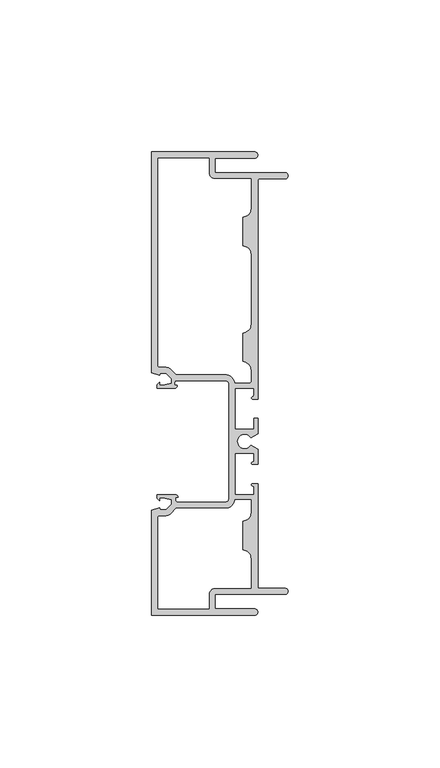
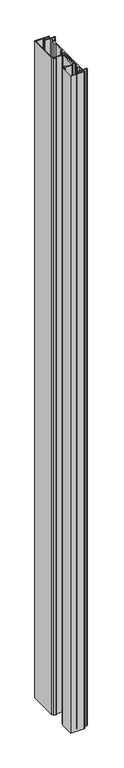
"""IFC4 building model written with IfcOpenShell, lengths in millimetres: plate geometry."""

from ifc_helpers import new_model, si_unit, frame, origin, place, context, project, spatial, polyline, circle_curve, source, transform, mapped, element, save
from ifc_brep_helpers import plane_surface, cylinder_surface, revolved_surface, extruded_surface, spline_curve, advanced_brep


def plate_6c5ae870(model_context):
    return source(origin(), model_context, "Body", "AdvancedBrep", [
        advanced_brep(
        [(-97.8535, 107.95, 1710.2666667), (-131.7625, 107.95, 1710.2666667), (-131.7625, 35.3816997, 1710.2666667), (-129.159, 34.46653, 1710.2666667), (-128.9000739, 35.20313, 1710.2666667), (-127.07464, 35.20313, 1710.2666667), (-125.1966, 33.32353, 1710.2666667), (-125.1966, 31.8494761, 1710.2666667), (-128.1938, 31.1912, 1710.2666667), (-129.159, 31.1912, 1710.2666667), (-129.159, 32.134082, 1710.2666667), (-129.9729726, 31.3201094, 1710.2666667), (-129.9729726, 30.1752, 1710.2666667), (-124.333127, 30.1752, 1710.2666667), (-123.3678, 31.140527, 1710.2666667), (-124.2242563, 31.140527, 1710.2666667), (-124.2242563, 32.080327, 1710.2666667), (-123.5892563, 32.715327, 1710.2666667), (-107.6325, 32.715327, 1710.2666667), (-106.3625, 31.445327, 1710.2666667), (-106.3625, -6.045327, 1710.2666667), (-107.6325, -7.315327, 1710.2666667), (-123.2916, -7.315327, 1710.2666667), (-123.9266, -6.680327, 1710.2666667), (-123.9266, -5.740527, 1710.2666667), (-123.1445578, -5.740527, 1710.2666667), (-124.1098848, -4.7752, 1710.2666667), (-129.9729726, -4.7752, 1710.2666667), (-129.9729726, -5.9201094, 1710.2666667), (-129.159, -6.734082, 1710.2666667), (-129.159, -5.7912, 1710.2666667), (-128.1938, -5.7912, 1710.2666667), (-125.1966, -6.4494761, 1710.2666667), (-125.1966, -7.92353, 1710.2666667), (-127.07464, -9.80313, 1710.2666667), (-128.9000739, -9.80313, 1710.2666667), (-129.159, -9.06653, 1710.2666667), (-131.7625, -9.9816997, 1710.2666667), (-131.7625, -44.45, 1710.2666667), (-97.8535, -44.45, 1710.2666667), (-97.8535, -42.418, 1710.2666667), (-110.8837, -42.418, 1710.2666667), (-110.8837, -37.6428, 1710.2666667), (-87.8967, -37.6428, 1710.2666667), (-87.8967, -35.6108, 1710.2666667), (-96.8375, -35.6108, 1710.2666667), (-96.8375, -1.1849057, 1710.2666667), (-98.5012, -1.1849057, 1710.2666667), (-98.1075, -2.1610439, 1710.2666667), (-98.1075, -4.7624365, 1710.2666667), (-104.3305, -4.7624365, 1710.2666667), (-104.3305, 8.7503635, 1710.2666667), (-98.1075, 8.7503635, 1710.2666667), (-98.1075, 6.1451016, 1710.2666667), (-98.5012, 5.1689635, 1710.2666667), (-96.8375, 5.1689635, 1710.2666667), (-96.8375, 10.1831033, 1710.2666667), (-99.1292807, 11.5062635, 1710.2666667), (-99.1292807, 13.9192635, 1710.2666667), (-96.8375, 15.2424237, 1710.2666667), (-96.8375, 20.2565635, 1710.2666667), (-98.1075, 20.2565635, 1710.2666667), (-98.1075, 16.6751635, 1710.2666667), (-104.3305, 16.6751635, 1710.2666667), (-104.3305, 30.1879635, 1710.2666667), (-98.1075, 30.1879635, 1710.2666667), (-98.1075, 28.0613166, 1710.2666667), (-98.5012, 27.3939635, 1710.2666667), (-98.5012, 26.6065635, 1710.2666667), (-96.8375, 26.6065635, 1710.2666667), (-96.8375, 98.6028, 1710.2666667), (-96.3295, 99.1108, 1710.2666667), (-87.8967, 99.1108, 1710.2666667), (-87.8967, 101.1428, 1710.2666667), (-110.8837, 101.1428, 1710.2666667), (-110.8837, 105.918, 1710.2666667), (-97.8535, 105.918, 1710.2666667), (-99.1235, 99.1108, 1710.2666667), (-99.1235, 89.3445, 1710.2666667), (-101.9175, 86.5505, 1710.2666667), (-101.9175, 77.0255, 1710.2666667), (-99.1235, 74.2315, 1710.2666667), (-99.1235, 51.2318, 1710.2666667), (-101.9175, 48.4378, 1710.2666667), (-101.9175, 38.9128, 1710.2666667), (-99.1235, 36.1188, 1710.2666667), (-99.1235, 32.4740905, 1710.2666667), (-99.6315, 31.9660905, 1710.2666667), (-104.3718238, 31.9660905, 1710.2666667), (-107.6325, 34.747327, 1710.2666667), (-123.7467256, 34.747327, 1710.2666667), (-125.4511835, 36.4532007, 1710.2666667), (-127.3378201, 37.23513, 1710.2666667), (-129.2225, 37.23513, 1710.2666667), (-129.7305, 37.74313, 1710.2666667), (-129.7305, 105.918, 1710.2666667), (-112.9157, 105.918, 1710.2666667), (-112.9157, 101.1428, 1710.2666667), (-110.8837, 99.1108, 1710.2666667), (-127.3378201, -11.83513, 1710.2666667), (-125.4511835, -11.0532007, 1710.2666667), (-123.7467256, -9.347327, 1710.2666667), (-107.6325, -9.347327, 1710.2666667), (-104.3678492, -6.5405635, 1710.2666667), (-99.1235, -6.5405635, 1710.2666667), (-99.1235, -10.7188, 1710.2666667), (-101.9175, -13.5128, 1710.2666667), (-101.9175, -23.0378, 1710.2666667), (-99.1235, -25.8318, 1710.2666667), (-99.1235, -35.6108, 1710.2666667), (-110.8837, -35.6108, 1710.2666667), (-112.9157, -37.6428, 1710.2666667), (-112.9157, -42.418, 1710.2666667), (-129.7305, -42.418, 1710.2666667), (-129.7305, -12.34313, 1710.2666667), (-129.2225, -11.83513, 1710.2666667), (-97.8535, 107.95, 0.0), (-97.8535, 105.918, 0.0), (-110.8837, 105.918, 0.0), (-110.8837, 101.1428, 0.0), (-87.8967, 101.1428, 0.0), (-87.8967, 99.1108, 0.0), (-96.3295, 99.1108, 0.0), (-96.8375, 98.6028, 0.0), (-96.8375, 26.6065635, 0.0), (-98.5012, 26.6065635, 0.0), (-98.5012, 27.3939635, 0.0), (-98.1075, 28.0613166, 0.0), (-98.1075, 30.1879635, 0.0), (-104.3305, 30.1879635, 0.0), (-104.3305, 16.6751635, 0.0), (-98.1075, 16.6751635, 0.0), (-98.1075, 20.2565635, 0.0), (-96.8375, 20.2565635, 0.0), (-96.8375, 15.2424237, 0.0), (-99.1292807, 13.9192635, 0.0), (-99.1292807, 11.5062635, 0.0), (-96.8375, 10.1831033, 0.0), (-96.8375, 5.1689635, 0.0), (-98.5012, 5.1689635, 0.0), (-98.1075, 6.1451016, 0.0), (-98.1075, 8.7503635, 0.0), (-104.3305, 8.7503635, 0.0), (-104.3305, -4.7624365, 0.0), (-98.1075, -4.7624365, 0.0), (-98.1075, -2.1610439, 0.0), (-98.5012, -1.1849057, 0.0), (-96.8375, -1.1849057, 0.0), (-96.8375, -35.6108, 0.0), (-87.8967, -35.6108, 0.0), (-87.8967, -37.6428, 0.0), (-110.8837, -37.6428, 0.0), (-110.8837, -42.418, 0.0), (-97.8535, -42.418, 0.0), (-97.8535, -44.45, 0.0), (-131.7625, -44.45, 0.0), (-131.7625, -9.9816997, 0.0), (-129.159, -9.06653, 0.0), (-128.9000739, -9.80313, 0.0), (-127.07464, -9.80313, 0.0), (-125.1966, -7.92353, 0.0), (-125.1966, -6.4494761, 0.0), (-128.1938, -5.7912, 0.0), (-129.159, -5.7912, 0.0), (-129.159, -6.734082, 0.0), (-129.9729726, -5.9201094, 0.0), (-129.9729726, -4.7752, 0.0), (-124.1098848, -4.7752, 0.0), (-123.1445578, -5.740527, 0.0), (-123.9266, -5.740527, 0.0), (-123.9266, -6.680327, 0.0), (-123.2916, -7.315327, 0.0), (-107.6325, -7.315327, 0.0), (-106.3625, -6.045327, 0.0), (-106.3625, 31.445327, 0.0), (-107.6325, 32.715327, 0.0), (-123.5892563, 32.715327, 0.0), (-124.2242563, 32.080327, 0.0), (-124.2242563, 31.140527, 0.0), (-123.3678, 31.140527, 0.0), (-124.333127, 30.1752, 0.0), (-129.9729726, 30.1752, 0.0), (-129.9729726, 31.3201094, 0.0), (-129.159, 32.134082, 0.0), (-129.159, 31.1912, 0.0), (-128.1938, 31.1912, 0.0), (-125.1966, 31.8494761, 0.0), (-125.1966, 33.32353, 0.0), (-127.07464, 35.20313, 0.0), (-128.9000739, 35.20313, 0.0), (-129.159, 34.46653, 0.0), (-131.7625, 35.3816997, 0.0), (-131.7625, 107.95, 0.0), (-99.1235, 99.1108, 0.0), (-110.8837, 99.1108, 0.0), (-112.9157, 101.1428, 0.0), (-112.9157, 105.918, 0.0), (-129.7305, 105.918, 0.0), (-129.7305, 37.74313, 0.0), (-129.2225, 37.23513, 0.0), (-127.3378201, 37.23513, 0.0), (-125.4511835, 36.4532007, 0.0), (-123.7467256, 34.747327, 0.0), (-107.6325, 34.747327, 0.0), (-104.3718238, 31.9660905, 0.0), (-99.6315, 31.9660905, 0.0), (-99.1235, 32.4740905, 0.0), (-99.1235, 36.1188, 0.0), (-101.9175, 38.9128, 0.0), (-101.9175, 48.4378, 0.0), (-99.1235, 51.2318, 0.0), (-99.1235, 74.2315, 0.0), (-101.9175, 77.0255, 0.0), (-101.9175, 86.5505, 0.0), (-99.1235, 89.3445, 0.0), (-127.3378201, -11.83513, 0.0), (-129.2225, -11.83513, 0.0), (-129.7305, -12.34313, 0.0), (-129.7305, -42.418, 0.0), (-112.9157, -42.418, 0.0), (-112.9157, -37.6428, 0.0), (-110.8837, -35.6108, 0.0), (-99.1235, -35.6108, 0.0), (-99.1235, -25.8318, 0.0), (-101.9175, -23.0378, 0.0), (-101.9175, -13.5128, 0.0), (-99.1235, -10.7188, 0.0), (-99.1235, -6.5405635, 0.0), (-104.3678492, -6.5405635, 0.0), (-107.6325, -9.347327, 0.0), (-123.7467256, -9.347327, 0.0), (-125.4511835, -11.0532007, 0.0)],
        [
            (0, 1),
            (1, 2),
            (2, 3),
            (3, 4),
            (4, 5),
            (5, 6),
            (6, 7),
            (7, 8),
            (8, 9),
            (9, 10),
            (10, 11),
            (11, 12),
            (12, 13),
            (13, 14, circle_curve(frame((-124.333127, 31.140527, 1710.2666667), z_axis=(0.0, 0.0, 1.0), x_axis=(0.0, 1.0, 0.0)), 0.965327)),
            (14, 15),
            (15, 16),
            (16, 17, circle_curve(frame((-123.5892563, 32.080327, 1710.2666667), z_axis=(0.0, 0.0, -1.0), x_axis=(0.0, 1.0, 0.0)), 0.635)),
            (17, 18),
            (18, 19, circle_curve(frame((-107.6325, 31.445327, 1710.2666667), z_axis=(0.0, 0.0, -1.0), x_axis=(0.0, 1.0, 0.0)), 1.27)),
            (19, 20),
            (20, 21, circle_curve(frame((-107.6325, -6.045327, 1710.2666667), z_axis=(0.0, 0.0, -1.0), x_axis=(0.0, 1.0, 0.0)), 1.27)),
            (21, 22),
            (22, 23, circle_curve(frame((-123.2916, -6.680327, 1710.2666667), z_axis=(0.0, 0.0, -1.0), x_axis=(0.0, 1.0, 0.0)), 0.635)),
            (23, 24),
            (24, 25),
            (25, 26, circle_curve(frame((-124.1098848, -5.740527, 1710.2666667), z_axis=(0.0, 0.0, 1.0), x_axis=(0.0, 1.0, 0.0)), 0.965327)),
            (26, 27),
            (27, 28),
            (28, 29),
            (29, 30),
            (30, 31),
            (31, 32),
            (32, 33),
            (33, 34),
            (34, 35),
            (35, 36),
            (36, 37),
            (37, 38),
            (38, 39),
            (39, 40, circle_curve(frame((-97.8535, -43.434, 1710.2666667), z_axis=(0.0, 0.0, 1.0), x_axis=(0.0, 1.0, 0.0)), 1.016)),
            (40, 41),
            (41, 42),
            (42, 43),
            (43, 44, circle_curve(frame((-87.8967, -36.6268, 1710.2666667), z_axis=(0.0, 0.0, 1.0), x_axis=(0.0, 1.0, 0.0)), 1.016)),
            (44, 45),
            (45, 46),
            (46, 47),
            (47, 48, spline_curve(3, [(-98.5012, -1.1849057, 1710.2666667), (-98.740983519, -1.227186004, 1710.2666667), (-98.782143914, -1.25795905, 1710.2666667), (-98.850249598, -1.333410763, 1710.2666667), (-98.857891197, -1.376747934, 1710.2666667), (-98.873382803, -1.562732941, 1710.2666667), (-98.879748834, -1.741567822, 1710.2666667), (-98.665948995, -1.955278639, 1710.2666667), (-98.401363232, -1.95527865, 1710.2666667), (-98.1075, -2.1610439, 1710.2666667)], [4, 2, 2, 2, 4], [0.0, 0.0005581775979920252, 0.0014141886036385456, 0.002659292844354508, 0.004147214338502557])),
            (48, 49),
            (49, 50),
            (50, 51),
            (51, 52),
            (52, 53),
            (53, 54, spline_curve(3, [(-98.1075, 6.1451016, 1710.2666667), (-98.401363232, 5.93933635, 1710.2666667), (-98.665948995, 5.939336439, 1710.2666667), (-98.879748834, 5.725625622, 1710.2666667), (-98.873382803, 5.546790741, 1710.2666667), (-98.857891197, 5.360805734, 1710.2666667), (-98.850249598, 5.317468563, 1710.2666667), (-98.782143914, 5.24201685, 1710.2666667), (-98.740983519, 5.211243804, 1710.2666667), (-98.5012, 5.1689635, 1710.2666667)], [4, 2, 2, 2, 4], [0.0, 0.0014879214941480494, 0.0027330257348640117, 0.003589036740510532, 0.004147214338502557])),
            (54, 55),
            (55, 56),
            (56, 57),
            (57, 58, circle_curve(frame((-101.219, 12.7127635, 1710.2666667), z_axis=(0.0, 0.0, -1.0), x_axis=(0.0, 1.0, 0.0)), 2.413)),
            (58, 59),
            (59, 60),
            (60, 61),
            (61, 62),
            (62, 63),
            (63, 64),
            (64, 65),
            (65, 66),
            (66, 67, circle_curve(frame((-98.8699585, 28.0613166, 1710.2666667), z_axis=(0.0, 0.0, -1.0), x_axis=(0.0, 1.0, 0.0)), 0.7624585)),
            (67, 68, circle_curve(frame((-98.5012, 27.0002635, 1710.2666667), z_axis=(0.0, 0.0, 1.0), x_axis=(0.0, 1.0, 0.0)), 0.3937)),
            (68, 69),
            (69, 70),
            (70, 71, circle_curve(frame((-96.3295, 98.6028, 1710.2666667), z_axis=(0.0, 0.0, -1.0), x_axis=(0.0, 1.0, 0.0)), 0.508)),
            (71, 72),
            (72, 73, circle_curve(frame((-87.8967, 100.1268, 1710.2666667), z_axis=(0.0, 0.0, 1.0), x_axis=(0.0, 1.0, 0.0)), 1.016)),
            (73, 74),
            (74, 75),
            (75, 76),
            (76, 0, circle_curve(frame((-97.8535, 106.934, 1710.2666667), z_axis=(0.0, 0.0, 1.0), x_axis=(0.0, 1.0, 0.0)), 1.016)),
            (77, 78),
            (78, 79, circle_curve(frame((-101.9175, 89.3445, 1710.2666667), z_axis=(0.0, 0.0, -1.0), x_axis=(0.0, 1.0, 0.0)), 2.794)),
            (79, 80),
            (80, 81, circle_curve(frame((-101.9175, 74.2315, 1710.2666667), z_axis=(0.0, 0.0, -1.0), x_axis=(0.0, 1.0, 0.0)), 2.794)),
            (81, 82),
            (82, 83, circle_curve(frame((-101.9175, 51.2318, 1710.2666667), z_axis=(0.0, 0.0, -1.0), x_axis=(0.0, 1.0, 0.0)), 2.794)),
            (83, 84),
            (84, 85, circle_curve(frame((-101.9175, 36.1188, 1710.2666667), z_axis=(0.0, 0.0, -1.0), x_axis=(0.0, 1.0, 0.0)), 2.794)),
            (85, 86),
            (86, 87, circle_curve(frame((-99.6315, 32.4740905, 1710.2666667), z_axis=(0.0, 0.0, -1.0), x_axis=(0.0, 1.0, 0.0)), 0.508)),
            (87, 88),
            (88, 89, circle_curve(frame((-107.6325, 31.445327, 1710.2666667), z_axis=(0.0, 0.0, 1.0), x_axis=(0.0, 1.0, 0.0)), 3.302)),
            (89, 90),
            (90, 91),
            (91, 92, circle_curve(frame((-127.3378201, 34.56813, 1710.2666667), z_axis=(0.0, 0.0, 1.0), x_axis=(0.0, 1.0, 0.0)), 2.667)),
            (92, 93),
            (93, 94, circle_curve(frame((-129.2225, 37.74313, 1710.2666667), z_axis=(0.0, 0.0, -1.0), x_axis=(0.0, 1.0, 0.0)), 0.508)),
            (94, 95),
            (95, 96),
            (96, 97),
            (97, 98, circle_curve(frame((-110.8837, 101.1428, 1710.2666667), z_axis=(0.0, 0.0, 1.0), x_axis=(0.0, 1.0, 0.0)), 2.032)),
            (98, 77),
            (99, 100, circle_curve(frame((-127.3378201, -9.16813, 1710.2666667), z_axis=(0.0, 0.0, 1.0), x_axis=(0.0, 1.0, 0.0)), 2.667)),
            (100, 101),
            (101, 102),
            (102, 103, circle_curve(frame((-107.6325, -6.045327, 1710.2666667), z_axis=(0.0, 0.0, 1.0), x_axis=(0.0, 1.0, 0.0)), 3.302)),
            (103, 104),
            (104, 105),
            (105, 106, circle_curve(frame((-101.9175, -10.7188, 1710.2666667), z_axis=(0.0, 0.0, -1.0), x_axis=(0.0, 1.0, 0.0)), 2.794)),
            (106, 107),
            (107, 108, circle_curve(frame((-101.9175, -25.8318, 1710.2666667), z_axis=(0.0, 0.0, -1.0), x_axis=(0.0, 1.0, 0.0)), 2.794)),
            (108, 109),
            (109, 110),
            (110, 111, circle_curve(frame((-110.8837, -37.6428, 1710.2666667), z_axis=(0.0, 0.0, 1.0), x_axis=(0.0, 1.0, 0.0)), 2.032)),
            (111, 112),
            (112, 113),
            (113, 114),
            (114, 115, circle_curve(frame((-129.2225, -12.34313, 1710.2666667), z_axis=(0.0, 0.0, -1.0), x_axis=(0.0, 1.0, 0.0)), 0.508)),
            (115, 99),
            (116, 117, circle_curve(frame((-97.8535, 106.934, 0.0), z_axis=(0.0, 0.0, -1.0), x_axis=(0.0, 1.0, 0.0)), 1.016)),
            (117, 118),
            (118, 119),
            (119, 120),
            (120, 121, circle_curve(frame((-87.8967, 100.1268, 0.0), z_axis=(0.0, 0.0, -1.0), x_axis=(0.0, 1.0, 0.0)), 1.016)),
            (121, 122),
            (122, 123, circle_curve(frame((-96.3295, 98.6028, 0.0), z_axis=(0.0, 0.0, 1.0), x_axis=(0.0, 1.0, 0.0)), 0.508)),
            (123, 124),
            (124, 125),
            (125, 126, circle_curve(frame((-98.5012, 27.0002635, 0.0), z_axis=(0.0, 0.0, -1.0), x_axis=(0.0, 1.0, 0.0)), 0.3937)),
            (126, 127, circle_curve(frame((-98.8699585, 28.0613166, 0.0), z_axis=(0.0, 0.0, 1.0), x_axis=(0.0, 1.0, 0.0)), 0.7624585)),
            (127, 128),
            (128, 129),
            (129, 130),
            (130, 131),
            (131, 132),
            (132, 133),
            (133, 134),
            (134, 135),
            (135, 136, circle_curve(frame((-101.219, 12.7127635, 0.0), z_axis=(0.0, 0.0, 1.0), x_axis=(0.0, 1.0, 0.0)), 2.413)),
            (136, 137),
            (137, 138),
            (138, 139),
            (139, 140, spline_curve(3, [(-98.5012, 5.1689635, 0.0), (-98.740983519, 5.211243804, 0.0), (-98.782143914, 5.24201685, 0.0), (-98.850249598, 5.317468563, 0.0), (-98.857891197, 5.360805734, 0.0), (-98.873382803, 5.546790741, 0.0), (-98.879748834, 5.725625622, 0.0), (-98.665948995, 5.939336439, 0.0), (-98.401363232, 5.93933635, 0.0), (-98.1075, 6.1451016, 0.0)], [4, 2, 2, 2, 4], [0.0, 0.0005581775979920252, 0.0014141886036385456, 0.002659292844354508, 0.004147214338502557])),
            (140, 141),
            (141, 142),
            (142, 143),
            (143, 144),
            (144, 145),
            (145, 146, spline_curve(3, [(-98.1075, -2.1610439, 0.0), (-98.401363232, -1.95527865, 0.0), (-98.665948995, -1.955278639, 0.0), (-98.879748834, -1.741567822, 0.0), (-98.873382803, -1.562732941, 0.0), (-98.857891197, -1.376747934, 0.0), (-98.850249598, -1.333410763, 0.0), (-98.782143914, -1.25795905, 0.0), (-98.740983519, -1.227186004, 0.0), (-98.5012, -1.1849057, 0.0)], [4, 2, 2, 2, 4], [0.0, 0.0014879214941480494, 0.0027330257348640117, 0.003589036740510532, 0.004147214338502557])),
            (146, 147),
            (147, 148),
            (148, 149),
            (149, 150, circle_curve(frame((-87.8967, -36.6268, 0.0), z_axis=(0.0, 0.0, -1.0), x_axis=(0.0, 1.0, 0.0)), 1.016)),
            (150, 151),
            (151, 152),
            (152, 153),
            (153, 154, circle_curve(frame((-97.8535, -43.434, 0.0), z_axis=(0.0, 0.0, -1.0), x_axis=(0.0, 1.0, 0.0)), 1.016)),
            (154, 155),
            (155, 156),
            (156, 157),
            (157, 158),
            (158, 159),
            (159, 160),
            (160, 161),
            (161, 162),
            (162, 163),
            (163, 164),
            (164, 165),
            (165, 166),
            (166, 167),
            (167, 168, circle_curve(frame((-124.1098848, -5.740527, 0.0), z_axis=(0.0, 0.0, -1.0), x_axis=(0.0, 1.0, 0.0)), 0.965327)),
            (168, 169),
            (169, 170),
            (170, 171, circle_curve(frame((-123.2916, -6.680327, 0.0), z_axis=(0.0, 0.0, 1.0), x_axis=(0.0, 1.0, 0.0)), 0.635)),
            (171, 172),
            (172, 173, circle_curve(frame((-107.6325, -6.045327, 0.0), z_axis=(0.0, 0.0, 1.0), x_axis=(0.0, 1.0, 0.0)), 1.27)),
            (173, 174),
            (174, 175, circle_curve(frame((-107.6325, 31.445327, 0.0), z_axis=(0.0, 0.0, 1.0), x_axis=(0.0, 1.0, 0.0)), 1.27)),
            (175, 176),
            (176, 177, circle_curve(frame((-123.5892563, 32.080327, 0.0), z_axis=(0.0, 0.0, 1.0), x_axis=(0.0, 1.0, 0.0)), 0.635)),
            (177, 178),
            (178, 179),
            (179, 180, circle_curve(frame((-124.333127, 31.140527, 0.0), z_axis=(0.0, 0.0, -1.0), x_axis=(0.0, 1.0, 0.0)), 0.965327)),
            (180, 181),
            (181, 182),
            (182, 183),
            (183, 184),
            (184, 185),
            (185, 186),
            (186, 187),
            (187, 188),
            (188, 189),
            (189, 190),
            (190, 191),
            (191, 192),
            (192, 116),
            (193, 194),
            (194, 195, circle_curve(frame((-110.8837, 101.1428, 0.0), z_axis=(0.0, 0.0, -1.0), x_axis=(0.0, 1.0, 0.0)), 2.032)),
            (195, 196),
            (196, 197),
            (197, 198),
            (198, 199, circle_curve(frame((-129.2225, 37.74313, 0.0), z_axis=(0.0, 0.0, 1.0), x_axis=(0.0, 1.0, 0.0)), 0.508)),
            (199, 200),
            (200, 201, circle_curve(frame((-127.3378201, 34.56813, 0.0), z_axis=(0.0, 0.0, -1.0), x_axis=(0.0, 1.0, 0.0)), 2.667)),
            (201, 202),
            (202, 203),
            (203, 204, circle_curve(frame((-107.6325, 31.445327, 0.0), z_axis=(0.0, 0.0, -1.0), x_axis=(0.0, 1.0, 0.0)), 3.302)),
            (204, 205),
            (205, 206, circle_curve(frame((-99.6315, 32.4740905, 0.0), z_axis=(0.0, 0.0, 1.0), x_axis=(0.0, 1.0, 0.0)), 0.508)),
            (206, 207),
            (207, 208, circle_curve(frame((-101.9175, 36.1188, 0.0), z_axis=(0.0, 0.0, 1.0), x_axis=(0.0, 1.0, 0.0)), 2.794)),
            (208, 209),
            (209, 210, circle_curve(frame((-101.9175, 51.2318, 0.0), z_axis=(0.0, 0.0, 1.0), x_axis=(0.0, 1.0, 0.0)), 2.794)),
            (210, 211),
            (211, 212, circle_curve(frame((-101.9175, 74.2315, 0.0), z_axis=(0.0, 0.0, 1.0), x_axis=(0.0, 1.0, 0.0)), 2.794)),
            (212, 213),
            (213, 214, circle_curve(frame((-101.9175, 89.3445, 0.0), z_axis=(0.0, 0.0, 1.0), x_axis=(0.0, 1.0, 0.0)), 2.794)),
            (214, 193),
            (215, 216),
            (216, 217, circle_curve(frame((-129.2225, -12.34313, 0.0), z_axis=(0.0, 0.0, 1.0), x_axis=(0.0, 1.0, 0.0)), 0.508)),
            (217, 218),
            (218, 219),
            (219, 220),
            (220, 221, circle_curve(frame((-110.8837, -37.6428, 0.0), z_axis=(0.0, 0.0, -1.0), x_axis=(0.0, 1.0, 0.0)), 2.032)),
            (221, 222),
            (222, 223),
            (223, 224, circle_curve(frame((-101.9175, -25.8318, 0.0), z_axis=(0.0, 0.0, 1.0), x_axis=(0.0, 1.0, 0.0)), 2.794)),
            (224, 225),
            (225, 226, circle_curve(frame((-101.9175, -10.7188, 0.0), z_axis=(0.0, 0.0, 1.0), x_axis=(0.0, 1.0, 0.0)), 2.794)),
            (226, 227),
            (227, 228),
            (228, 229, circle_curve(frame((-107.6325, -6.045327, 0.0), z_axis=(0.0, 0.0, -1.0), x_axis=(0.0, 1.0, 0.0)), 3.302)),
            (229, 230),
            (230, 231),
            (231, 215, circle_curve(frame((-127.3378201, -9.16813, 0.0), z_axis=(0.0, 0.0, -1.0), x_axis=(0.0, 1.0, 0.0)), 2.667)),
            (76, 117),
            (116, 0),
            (75, 118),
            (74, 119),
            (73, 120),
            (72, 121),
            (71, 122),
            (70, 123),
            (69, 124),
            (68, 125),
            (67, 126),
            (66, 127),
            (65, 128),
            (64, 129),
            (63, 130),
            (62, 131),
            (61, 132),
            (60, 133),
            (59, 134),
            (58, 135),
            (57, 136),
            (56, 137),
            (55, 138),
            (54, 139),
            (53, 140),
            (52, 141),
            (51, 142),
            (50, 143),
            (49, 144),
            (48, 145),
            (47, 146),
            (46, 147),
            (45, 148),
            (44, 149),
            (43, 150),
            (42, 151),
            (41, 152),
            (40, 153),
            (39, 154),
            (38, 155),
            (37, 156),
            (36, 157),
            (35, 158),
            (34, 159),
            (33, 160),
            (32, 161),
            (31, 162),
            (30, 163),
            (29, 164),
            (28, 165),
            (27, 166),
            (26, 167),
            (25, 168),
            (24, 169),
            (23, 170),
            (22, 171),
            (21, 172),
            (20, 173),
            (19, 174),
            (18, 175),
            (17, 176),
            (16, 177),
            (15, 178),
            (14, 179),
            (13, 180),
            (12, 181),
            (11, 182),
            (10, 183),
            (9, 184),
            (8, 185),
            (7, 186),
            (6, 187),
            (5, 188),
            (4, 189),
            (3, 190),
            (2, 191),
            (1, 192),
            (98, 194),
            (193, 77),
            (97, 195),
            (96, 196),
            (95, 197),
            (94, 198),
            (93, 199),
            (92, 200),
            (91, 201),
            (90, 202),
            (89, 203),
            (88, 204),
            (87, 205),
            (86, 206),
            (85, 207),
            (84, 208),
            (83, 209),
            (82, 210),
            (81, 211),
            (80, 212),
            (79, 213),
            (78, 214),
            (115, 216),
            (215, 99),
            (114, 217),
            (113, 218),
            (112, 219),
            (111, 220),
            (110, 221),
            (109, 222),
            (108, 223),
            (107, 224),
            (106, 225),
            (105, 226),
            (104, 227),
            (103, 228),
            (102, 229),
            (101, 230),
            (100, 231),
        ],
        [
            plane_surface(frame((-114.3, 0.0, 1710.2666667), z_axis=(0.0, 0.0, 1.0), x_axis=(0.0, 1.0, 0.0))),
            plane_surface(frame((-114.3, 0.0, 0.0), z_axis=(0.0, 0.0, -1.0), x_axis=(0.0, 1.0, 0.0))),
            cylinder_surface(frame((-97.8535, 106.934, 1710.2666667), z_axis=(0.0, 0.0, 1.0), x_axis=(0.0, 1.0, 0.0)), 1.016),
            plane_surface(frame((-97.8535, 105.918, 1710.2666667), z_axis=(0.0, -1.0, 0.0), x_axis=(0.0, 0.0, -1.0))),
            plane_surface(frame((-110.8837, 105.918, 1710.2666667), z_axis=(1.0, 0.0, 0.0), x_axis=(0.0, 0.0, -1.0))),
            plane_surface(frame((-110.8837, 101.1428, 1710.2666667), z_axis=(0.0, 1.0, 0.0), x_axis=(0.0, 0.0, -1.0))),
            cylinder_surface(frame((-87.8967, 100.1268, 1710.2666667), z_axis=(0.0, 0.0, 1.0), x_axis=(0.0, 1.0, 0.0)), 1.016),
            plane_surface(frame((-87.8967, 99.1108, 1710.2666667), z_axis=(0.0, -1.0, 0.0), x_axis=(0.0, 0.0, -1.0))),
            revolved_surface(polyline([(-96.3295, 99.1108, 0.0), (-96.3295, 99.1108, 1710.2666667)]), (-96.3295, 98.6028, 1710.2666667), (0.0, 0.0, -1.0)),
            plane_surface(frame((-96.8375, 98.6028, 1710.2666667), z_axis=(1.0, 0.0, 0.0), x_axis=(0.0, 0.0, -1.0))),
            plane_surface(frame((-96.8375, 26.6065635, 1710.2666667), z_axis=(0.0, -1.0, 0.0), x_axis=(0.0, 0.0, -1.0))),
            cylinder_surface(frame((-98.5012, 27.0002635, 1710.2666667), z_axis=(0.0, 0.0, 1.0), x_axis=(0.0, 1.0, 0.0)), 0.3937),
            revolved_surface(polyline([(-98.8699585, 28.823775100000002, 0.0), (-98.8699585, 28.823775100000002, 1710.2666667)]), (-98.8699585, 28.0613166, 1710.2666667), (0.0, 0.0, -1.0)),
            plane_surface(frame((-98.1075, 28.0613166, 1710.2666667), z_axis=(-1.0, 0.0, 0.0), x_axis=(0.0, 0.0, -1.0))),
            plane_surface(frame((-98.1075, 30.1879635, 1710.2666667), z_axis=(0.0, -1.0, 0.0), x_axis=(0.0, 0.0, -1.0))),
            plane_surface(frame((-104.3305, 30.1879635, 1710.2666667), z_axis=(1.0, 0.0, 0.0), x_axis=(0.0, 0.0, -1.0))),
            plane_surface(frame((-104.3305, 16.6751635, 1710.2666667), z_axis=(0.0, 1.0, 0.0), x_axis=(0.0, 0.0, -1.0))),
            plane_surface(frame((-98.1075, 16.6751635, 1710.2666667), z_axis=(-1.0, 0.0, 0.0), x_axis=(0.0, 0.0, -1.0))),
            plane_surface(frame((-98.1075, 20.2565635, 1710.2666667), z_axis=(0.0, 1.0, 0.0), x_axis=(0.0, 0.0, -1.0))),
            plane_surface(frame((-96.8375, 20.2565635, 1710.2666667), z_axis=(1.0, 0.0, 0.0), x_axis=(0.0, 0.0, -1.0))),
            plane_surface(frame((-96.8375, 15.2424237, 1710.2666667), z_axis=(0.5000000000000651, -0.8660254037844011, 0.0), x_axis=(0.0, 0.0, -1.0))),
            revolved_surface(polyline([(-101.219, 15.1257635, 0.0), (-101.219, 15.1257635, 1710.2666667)]), (-101.219, 12.7127635, 1710.2666667), (0.0, 0.0, -1.0)),
            plane_surface(frame((-99.1292807, 11.5062635, 1710.2666667), z_axis=(0.4999999999999164, 0.866025403784487, 0.0), x_axis=(0.0, 0.0, -1.0))),
            plane_surface(frame((-96.8375, 10.1831033, 1710.2666667), z_axis=(1.0, 0.0, 0.0), x_axis=(0.0, 0.0, -1.0))),
            plane_surface(frame((-96.8375, 5.1689635, 1710.2666667), z_axis=(0.0, -1.0, 0.0), x_axis=(0.0, 0.0, -1.0))),
            extruded_surface(spline_curve(3, [(-98.5012, 5.1689635, 1710.2666667), (-98.740983519, 5.211243804, 1710.2666667), (-98.782143914, 5.24201685, 1710.2666667), (-98.850249598, 5.317468563, 1710.2666667), (-98.857891197, 5.360805734, 1710.2666667), (-98.873382803, 5.546790741, 1710.2666667), (-98.879748834, 5.725625622, 1710.2666667), (-98.665948995, 5.939336439, 1710.2666667), (-98.401363232, 5.93933635, 1710.2666667), (-98.1075, 6.1451016, 1710.2666667)], [4, 2, 2, 2, 4], [0.0, 0.0005581775979920252, 0.0014141886036385456, 0.002659292844354508, 0.004147214338502557]), (0.0, 0.0, -1710.2666667), 1710.2666667),
            plane_surface(frame((-98.1075, 6.1451016, 1710.2666667), z_axis=(-1.0, 0.0, 0.0), x_axis=(0.0, 0.0, -1.0))),
            plane_surface(frame((-98.1075, 8.7503635, 1710.2666667), z_axis=(0.0, -1.0, 0.0), x_axis=(0.0, 0.0, -1.0))),
            plane_surface(frame((-104.3305, 8.7503635, 1710.2666667), z_axis=(1.0, 0.0, 0.0), x_axis=(0.0, 0.0, -1.0))),
            plane_surface(frame((-104.3305, -4.7624365, 1710.2666667), z_axis=(0.0, 1.0, 0.0), x_axis=(0.0, 0.0, -1.0))),
            plane_surface(frame((-98.1075, -4.7624365, 1710.2666667), z_axis=(-1.0, 0.0, 0.0), x_axis=(0.0, 0.0, -1.0))),
            extruded_surface(spline_curve(3, [(-98.1075, -2.1610439, 1710.2666667), (-98.401363232, -1.95527865, 1710.2666667), (-98.665948995, -1.955278639, 1710.2666667), (-98.879748834, -1.741567822, 1710.2666667), (-98.873382803, -1.562732941, 1710.2666667), (-98.857891197, -1.376747934, 1710.2666667), (-98.850249598, -1.333410763, 1710.2666667), (-98.782143914, -1.25795905, 1710.2666667), (-98.740983519, -1.227186004, 1710.2666667), (-98.5012, -1.1849057, 1710.2666667)], [4, 2, 2, 2, 4], [0.0, 0.0014879214941480494, 0.0027330257348640117, 0.003589036740510532, 0.004147214338502557]), (0.0, 0.0, -1710.2666667), 1710.2666667),
            plane_surface(frame((-98.5012, -1.1849057, 1710.2666667), z_axis=(0.0, 1.0, 0.0), x_axis=(0.0, 0.0, -1.0))),
            plane_surface(frame((-96.8375, -1.1849057, 1710.2666667), z_axis=(1.0, 0.0, 0.0), x_axis=(0.0, 0.0, -1.0))),
            plane_surface(frame((-96.8375, -35.6108, 1710.2666667), z_axis=(0.0, 1.0, 0.0), x_axis=(0.0, 0.0, -1.0))),
            cylinder_surface(frame((-87.8967, -36.6268, 1710.2666667), z_axis=(0.0, 0.0, 1.0), x_axis=(0.0, 1.0, 0.0)), 1.016),
            plane_surface(frame((-87.8967, -37.6428, 1710.2666667), z_axis=(0.0, -1.0, 0.0), x_axis=(0.0, 0.0, -1.0))),
            plane_surface(frame((-110.8837, -37.6428, 1710.2666667), z_axis=(1.0, 0.0, 0.0), x_axis=(0.0, 0.0, -1.0))),
            plane_surface(frame((-110.8837, -42.418, 1710.2666667), z_axis=(0.0, 1.0, 0.0), x_axis=(0.0, 0.0, -1.0))),
            cylinder_surface(frame((-97.8535, -43.434, 1710.2666667), z_axis=(0.0, 0.0, 1.0), x_axis=(0.0, 1.0, 0.0)), 1.016),
            plane_surface(frame((-97.8535, -44.45, 1710.2666667), z_axis=(0.0, -1.0, 0.0), x_axis=(0.0, 0.0, -1.0))),
            plane_surface(frame((-131.7625, -44.45, 1710.2666667), z_axis=(-1.0, 0.0, 0.0), x_axis=(0.0, 0.0, -1.0))),
            plane_surface(frame((-131.7625, -9.9816997, 1710.2666667), z_axis=(-0.3316235421717818, 0.9434118010060297, 0.0), x_axis=(0.0, 0.0, -1.0))),
            plane_surface(frame((-129.159, -9.06653, 1710.2666667), z_axis=(0.9434118010060171, 0.33162354217181794, 0.0), x_axis=(0.0, 0.0, -1.0))),
            plane_surface(frame((-128.9000739, -9.80313, 1710.2666667), z_axis=(0.0, 1.0, 0.0), x_axis=(0.0, 0.0, -1.0))),
            plane_surface(frame((-127.07464, -9.80313, 1710.2666667), z_axis=(-0.7074002732966483, 0.7068131672088652, 0.0), x_axis=(0.0, 0.0, -1.0))),
            plane_surface(frame((-125.1966, -7.92353, 1710.2666667), z_axis=(-1.0, 0.0, 0.0), x_axis=(0.0, 0.0, -1.0))),
            plane_surface(frame((-125.1966, -6.4494761, 1710.2666667), z_axis=(-0.21451738649470226, -0.9767201702081731, 0.0), x_axis=(0.0, 0.0, -1.0))),
            plane_surface(frame((-128.1938, -5.7912, 1710.2666667), z_axis=(0.0, -1.0, 0.0), x_axis=(0.0, 0.0, -1.0))),
            plane_surface(frame((-129.159, -5.7912, 1710.2666667), z_axis=(1.0, 0.0, 0.0), x_axis=(0.0, 0.0, -1.0))),
            plane_surface(frame((-129.159, -6.734082, 1710.2666667), z_axis=(-0.7071067811866155, -0.7071067811864795, 0.0), x_axis=(0.0, 0.0, -1.0))),
            plane_surface(frame((-129.9729726, -5.9201094, 1710.2666667), z_axis=(-1.0, 0.0, 0.0), x_axis=(0.0, 0.0, -1.0))),
            plane_surface(frame((-129.9729726, -4.7752, 1710.2666667), z_axis=(0.0, 1.0, 0.0), x_axis=(0.0, 0.0, -1.0))),
            cylinder_surface(frame((-124.1098848, -5.740527, 1710.2666667), z_axis=(0.0, 0.0, 1.0), x_axis=(0.0, 1.0, 0.0)), 0.965327),
            plane_surface(frame((-123.1445578, -5.740527, 1710.2666667), z_axis=(0.0, -1.0, 0.0), x_axis=(0.0, 0.0, -1.0))),
            plane_surface(frame((-123.9266, -5.740527, 1710.2666667), z_axis=(1.0, 0.0, 0.0), x_axis=(0.0, 0.0, -1.0))),
            revolved_surface(polyline([(-123.2916, -6.045327, 0.0), (-123.2916, -6.045327, 1710.2666667)]), (-123.2916, -6.680327, 1710.2666667), (0.0, 0.0, -1.0)),
            plane_surface(frame((-123.2916, -7.315327, 1710.2666667), z_axis=(0.0, 1.0, 0.0), x_axis=(0.0, 0.0, -1.0))),
            revolved_surface(polyline([(-107.6325, -4.775327000000001, 0.0), (-107.6325, -4.775327000000001, 1710.2666667)]), (-107.6325, -6.045327, 1710.2666667), (0.0, 0.0, -1.0)),
            plane_surface(frame((-106.3625, -6.045327, 1710.2666667), z_axis=(-1.0, 0.0, 0.0), x_axis=(0.0, 0.0, -1.0))),
            revolved_surface(polyline([(-107.6325, 32.715327, 0.0), (-107.6325, 32.715327, 1710.2666667)]), (-107.6325, 31.445327, 1710.2666667), (0.0, 0.0, -1.0)),
            plane_surface(frame((-107.6325, 32.715327, 1710.2666667), z_axis=(0.0, -1.0, 0.0), x_axis=(0.0, 0.0, -1.0))),
            revolved_surface(polyline([(-123.5892563, 32.715326999999995, 0.0), (-123.5892563, 32.715326999999995, 1710.2666667)]), (-123.5892563, 32.080327, 1710.2666667), (0.0, 0.0, -1.0)),
            plane_surface(frame((-124.2242563, 32.080327, 1710.2666667), z_axis=(1.0, 0.0, 0.0), x_axis=(0.0, 0.0, -1.0))),
            plane_surface(frame((-124.2242563, 31.140527, 1710.2666667), z_axis=(0.0, 1.0, 0.0), x_axis=(0.0, 0.0, -1.0))),
            cylinder_surface(frame((-124.333127, 31.140527, 1710.2666667), z_axis=(0.0, 0.0, 1.0), x_axis=(0.0, 1.0, 0.0)), 0.965327),
            plane_surface(frame((-124.333127, 30.1752, 1710.2666667), z_axis=(0.0, -1.0, 0.0), x_axis=(0.0, 0.0, -1.0))),
            plane_surface(frame((-129.9729726, 30.1752, 1710.2666667), z_axis=(-1.0, 0.0, 0.0), x_axis=(0.0, 0.0, -1.0))),
            plane_surface(frame((-129.9729726, 31.3201094, 1710.2666667), z_axis=(-0.7071067811865605, 0.7071067811865347, 0.0), x_axis=(0.0, 0.0, -1.0))),
            plane_surface(frame((-129.159, 32.134082, 1710.2666667), z_axis=(1.0, 0.0, 0.0), x_axis=(0.0, 0.0, -1.0))),
            plane_surface(frame((-129.159, 31.1912, 1710.2666667), z_axis=(0.0, 1.0, 0.0), x_axis=(0.0, 0.0, -1.0))),
            plane_surface(frame((-128.1938, 31.1912, 1710.2666667), z_axis=(-0.21451738649468677, 0.9767201702081765, 0.0), x_axis=(0.0, 0.0, -1.0))),
            plane_surface(frame((-125.1966, 31.8494761, 1710.2666667), z_axis=(-1.0, 0.0, 0.0), x_axis=(0.0, 0.0, -1.0))),
            plane_surface(frame((-125.1966, 33.32353, 1710.2666667), z_axis=(-0.707400273296661, -0.7068131672088525, 0.0), x_axis=(0.0, 0.0, -1.0))),
            plane_surface(frame((-127.07464, 35.20313, 1710.2666667), z_axis=(0.0, -1.0, 0.0), x_axis=(0.0, 0.0, -1.0))),
            plane_surface(frame((-128.9000739, 35.20313, 1710.2666667), z_axis=(0.9434118010060182, -0.3316235421718146, 0.0), x_axis=(0.0, 0.0, -1.0))),
            plane_surface(frame((-129.159, 34.46653, 1710.2666667), z_axis=(-0.33162354217178447, -0.9434118010060287, 0.0), x_axis=(0.0, 0.0, -1.0))),
            plane_surface(frame((-131.7625, 35.3816997, 1710.2666667), z_axis=(-1.0, 0.0, 0.0), x_axis=(0.0, 0.0, -1.0))),
            plane_surface(frame((-131.7625, 107.95, 1710.2666667), z_axis=(0.0, 1.0, 0.0), x_axis=(0.0, 0.0, -1.0))),
            plane_surface(frame((-99.1235, 99.1108, 1710.2666667), z_axis=(0.0, -1.0, 0.0), x_axis=(0.0, 0.0, -1.0))),
            cylinder_surface(frame((-110.8837, 101.1428, 1710.2666667), z_axis=(0.0, 0.0, 1.0), x_axis=(0.0, 1.0, 0.0)), 2.032),
            plane_surface(frame((-112.9157, 101.1428, 1710.2666667), z_axis=(-1.0, 0.0, 0.0), x_axis=(0.0, 0.0, -1.0))),
            plane_surface(frame((-112.9157, 105.918, 1710.2666667), z_axis=(0.0, -1.0, 0.0), x_axis=(0.0, 0.0, -1.0))),
            plane_surface(frame((-129.7305, 105.918, 1710.2666667), z_axis=(1.0, 0.0, 0.0), x_axis=(0.0, 0.0, -1.0))),
            revolved_surface(polyline([(-129.2225, 38.25113, 0.0), (-129.2225, 38.25113, 1710.2666667)]), (-129.2225, 37.74313, 1710.2666667), (0.0, 0.0, -1.0)),
            plane_surface(frame((-129.2225, 37.23513, 1710.2666667), z_axis=(0.0, 1.0, 0.0), x_axis=(0.0, 0.0, -1.0))),
            cylinder_surface(frame((-127.3378201, 34.56813, 1710.2666667), z_axis=(0.0, 0.0, 1.0), x_axis=(0.0, 1.0, 0.0)), 2.667),
            plane_surface(frame((-125.4511835, 36.4532007, 1710.2666667), z_axis=(0.7074002732965888, 0.706813167208925, 0.0), x_axis=(0.0, 0.0, -1.0))),
            plane_surface(frame((-123.7467256, 34.747327, 1710.2666667), z_axis=(0.0, 1.0, 0.0), x_axis=(0.0, 0.0, -1.0))),
            cylinder_surface(frame((-107.6325, 31.445327, 1710.2666667), z_axis=(0.0, 0.0, 1.0), x_axis=(0.0, 1.0, 0.0)), 3.302),
            plane_surface(frame((-104.3718238, 31.9660905, 1710.2666667), z_axis=(0.0, 1.0, 0.0), x_axis=(0.0, 0.0, -1.0))),
            revolved_surface(polyline([(-99.6315, 32.982090500000005, 0.0), (-99.6315, 32.982090500000005, 1710.2666667)]), (-99.6315, 32.4740905, 1710.2666667), (0.0, 0.0, -1.0)),
            plane_surface(frame((-99.1235, 32.4740905, 1710.2666667), z_axis=(-1.0, 0.0, 0.0), x_axis=(0.0, 0.0, -1.0))),
            revolved_surface(polyline([(-101.9175, 38.9128, 0.0), (-101.9175, 38.9128, 1710.2666667)]), (-101.9175, 36.1188, 1710.2666667), (0.0, 0.0, -1.0)),
            plane_surface(frame((-101.9175, 38.9128, 1710.2666667), z_axis=(-1.0, 0.0, 0.0), x_axis=(0.0, 0.0, -1.0))),
            revolved_surface(polyline([(-101.9175, 54.0258, 0.0), (-101.9175, 54.0258, 1710.2666667)]), (-101.9175, 51.2318, 1710.2666667), (0.0, 0.0, -1.0)),
            plane_surface(frame((-99.1235, 51.2318, 1710.2666667), z_axis=(-1.0, 0.0, 0.0), x_axis=(0.0, 0.0, -1.0))),
            revolved_surface(polyline([(-101.9175, 77.0255, 0.0), (-101.9175, 77.0255, 1710.2666667)]), (-101.9175, 74.2315, 1710.2666667), (0.0, 0.0, -1.0)),
            plane_surface(frame((-101.9175, 77.0255, 1710.2666667), z_axis=(-1.0, 0.0, 0.0), x_axis=(0.0, 0.0, -1.0))),
            revolved_surface(polyline([(-101.9175, 92.1385, 0.0), (-101.9175, 92.1385, 1710.2666667)]), (-101.9175, 89.3445, 1710.2666667), (0.0, 0.0, -1.0)),
            plane_surface(frame((-99.1235, 89.3445, 1710.2666667), z_axis=(-1.0, 0.0, 0.0), x_axis=(0.0, 0.0, -1.0))),
            plane_surface(frame((-127.3378201, -11.83513, 1710.2666667), z_axis=(0.0, -1.0, 0.0), x_axis=(0.0, 0.0, -1.0))),
            revolved_surface(polyline([(-129.2225, -11.83513, 0.0), (-129.2225, -11.83513, 1710.2666667)]), (-129.2225, -12.34313, 1710.2666667), (0.0, 0.0, -1.0)),
            plane_surface(frame((-129.7305, -12.34313, 1710.2666667), z_axis=(1.0, 0.0, 0.0), x_axis=(0.0, 0.0, -1.0))),
            plane_surface(frame((-129.7305, -42.418, 1710.2666667), z_axis=(0.0, 1.0, 0.0), x_axis=(0.0, 0.0, -1.0))),
            plane_surface(frame((-112.9157, -42.418, 1710.2666667), z_axis=(-1.0, 0.0, 0.0), x_axis=(0.0, 0.0, -1.0))),
            cylinder_surface(frame((-110.8837, -37.6428, 1710.2666667), z_axis=(0.0, 0.0, 1.0), x_axis=(0.0, 1.0, 0.0)), 2.032),
            plane_surface(frame((-110.8837, -35.6108, 1710.2666667), z_axis=(0.0, 1.0, 0.0), x_axis=(0.0, 0.0, -1.0))),
            plane_surface(frame((-99.1235, -35.6108, 1710.2666667), z_axis=(-1.0, 0.0, 0.0), x_axis=(0.0, 0.0, -1.0))),
            revolved_surface(polyline([(-101.9175, -23.0378, 0.0), (-101.9175, -23.0378, 1710.2666667)]), (-101.9175, -25.8318, 1710.2666667), (0.0, 0.0, -1.0)),
            plane_surface(frame((-101.9175, -23.0378, 1710.2666667), z_axis=(-1.0, 0.0, 0.0), x_axis=(0.0, 0.0, -1.0))),
            revolved_surface(polyline([(-101.9175, -7.924799999999999, 0.0), (-101.9175, -7.924799999999999, 1710.2666667)]), (-101.9175, -10.7188, 1710.2666667), (0.0, 0.0, -1.0)),
            plane_surface(frame((-99.1235, -10.7188, 1710.2666667), z_axis=(-1.0, 0.0, 0.0), x_axis=(0.0, 0.0, -1.0))),
            plane_surface(frame((-99.1235, -6.5405635, 1710.2666667), z_axis=(0.0, -1.0, 0.0), x_axis=(0.0, 0.0, -1.0))),
            cylinder_surface(frame((-107.6325, -6.045327, 1710.2666667), z_axis=(0.0, 0.0, 1.0), x_axis=(0.0, 1.0, 0.0)), 3.302),
            plane_surface(frame((-107.6325, -9.347327, 1710.2666667), z_axis=(0.0, -1.0, 0.0), x_axis=(0.0, 0.0, -1.0))),
            plane_surface(frame((-123.7467256, -9.347327, 1710.2666667), z_axis=(0.7074002732965801, -0.7068131672089336, 0.0), x_axis=(0.0, 0.0, -1.0))),
            cylinder_surface(frame((-127.3378201, -9.16813, 1710.2666667), z_axis=(0.0, 0.0, 1.0), x_axis=(0.0, 1.0, 0.0)), 2.667),
        ],
        [
            (0, [[1, 2, 3, 4, 5, 6, 7, 8, 9, 10, 11, 12, 13, 14, 15, 16, 17, 18, 19, 20, 21, 22, 23, 24, 25, 26, 27, 28, 29, 30, 31, 32, 33, 34, 35, 36, 37, 38, 39, 40, 41, 42, 43, 44, 45, 46, 47, 48, 49, 50, 51, 52, 53, 54, 55, 56, 57, 58, 59, 60, 61, 62, 63, 64, 65, 66, 67, 68, 69, 70, 71, 72, 73, 74, 75, 76, 77], [78, 79, 80, 81, 82, 83, 84, 85, 86, 87, 88, 89, 90, 91, 92, 93, 94, 95, 96, 97, 98, 99], [100, 101, 102, 103, 104, 105, 106, 107, 108, 109, 110, 111, 112, 113, 114, 115, 116]]),
            (1, [[117, 118, 119, 120, 121, 122, 123, 124, 125, 126, 127, 128, 129, 130, 131, 132, 133, 134, 135, 136, 137, 138, 139, 140, 141, 142, 143, 144, 145, 146, 147, 148, 149, 150, 151, 152, 153, 154, 155, 156, 157, 158, 159, 160, 161, 162, 163, 164, 165, 166, 167, 168, 169, 170, 171, 172, 173, 174, 175, 176, 177, 178, 179, 180, 181, 182, 183, 184, 185, 186, 187, 188, 189, 190, 191, 192, 193], [194, 195, 196, 197, 198, 199, 200, 201, 202, 203, 204, 205, 206, 207, 208, 209, 210, 211, 212, 213, 214, 215], [216, 217, 218, 219, 220, 221, 222, 223, 224, 225, 226, 227, 228, 229, 230, 231, 232]]),
            (2, [[233, -117, 234, -77]]),
            (3, [[235, -118, -233, -76]]),
            (4, [[236, -119, -235, -75]]),
            (5, [[237, -120, -236, -74]]),
            (6, [[238, -121, -237, -73]]),
            (7, [[239, -122, -238, -72]]),
            (8, [[240, -123, -239, -71]]),
            (9, [[241, -124, -240, -70]]),
            (10, [[242, -125, -241, -69]]),
            (11, [[243, -126, -242, -68]]),
            (12, [[244, -127, -243, -67]]),
            (13, [[245, -128, -244, -66]]),
            (14, [[246, -129, -245, -65]]),
            (15, [[247, -130, -246, -64]]),
            (16, [[248, -131, -247, -63]]),
            (17, [[249, -132, -248, -62]]),
            (18, [[250, -133, -249, -61]]),
            (19, [[251, -134, -250, -60]]),
            (20, [[252, -135, -251, -59]]),
            (21, [[253, -136, -252, -58]]),
            (22, [[254, -137, -253, -57]]),
            (23, [[255, -138, -254, -56]]),
            (24, [[256, -139, -255, -55]]),
            (25, [[257, -140, -256, -54]]),
            (26, [[258, -141, -257, -53]]),
            (27, [[259, -142, -258, -52]]),
            (28, [[260, -143, -259, -51]]),
            (29, [[261, -144, -260, -50]]),
            (30, [[262, -145, -261, -49]]),
            (31, [[263, -146, -262, -48]]),
            (32, [[264, -147, -263, -47]]),
            (33, [[265, -148, -264, -46]]),
            (34, [[266, -149, -265, -45]]),
            (35, [[267, -150, -266, -44]]),
            (36, [[268, -151, -267, -43]]),
            (37, [[269, -152, -268, -42]]),
            (38, [[270, -153, -269, -41]]),
            (39, [[271, -154, -270, -40]]),
            (40, [[272, -155, -271, -39]]),
            (41, [[273, -156, -272, -38]]),
            (42, [[274, -157, -273, -37]]),
            (43, [[275, -158, -274, -36]]),
            (44, [[276, -159, -275, -35]]),
            (45, [[277, -160, -276, -34]]),
            (46, [[278, -161, -277, -33]]),
            (47, [[279, -162, -278, -32]]),
            (48, [[280, -163, -279, -31]]),
            (49, [[281, -164, -280, -30]]),
            (50, [[282, -165, -281, -29]]),
            (51, [[283, -166, -282, -28]]),
            (52, [[284, -167, -283, -27]]),
            (53, [[285, -168, -284, -26]]),
            (54, [[286, -169, -285, -25]]),
            (55, [[287, -170, -286, -24]]),
            (56, [[288, -171, -287, -23]]),
            (57, [[289, -172, -288, -22]]),
            (58, [[290, -173, -289, -21]]),
            (59, [[291, -174, -290, -20]]),
            (60, [[292, -175, -291, -19]]),
            (61, [[293, -176, -292, -18]]),
            (62, [[294, -177, -293, -17]]),
            (63, [[295, -178, -294, -16]]),
            (64, [[296, -179, -295, -15]]),
            (65, [[297, -180, -296, -14]]),
            (66, [[298, -181, -297, -13]]),
            (67, [[299, -182, -298, -12]]),
            (68, [[300, -183, -299, -11]]),
            (69, [[301, -184, -300, -10]]),
            (70, [[302, -185, -301, -9]]),
            (71, [[303, -186, -302, -8]]),
            (72, [[304, -187, -303, -7]]),
            (73, [[305, -188, -304, -6]]),
            (74, [[306, -189, -305, -5]]),
            (75, [[307, -190, -306, -4]]),
            (76, [[308, -191, -307, -3]]),
            (77, [[309, -192, -308, -2]]),
            (78, [[-234, -193, -309, -1]]),
            (79, [[310, -194, 311, -99]]),
            (80, [[312, -195, -310, -98]]),
            (81, [[313, -196, -312, -97]]),
            (82, [[314, -197, -313, -96]]),
            (83, [[315, -198, -314, -95]]),
            (84, [[316, -199, -315, -94]]),
            (85, [[317, -200, -316, -93]]),
            (86, [[318, -201, -317, -92]]),
            (87, [[319, -202, -318, -91]]),
            (88, [[320, -203, -319, -90]]),
            (89, [[321, -204, -320, -89]]),
            (90, [[322, -205, -321, -88]]),
            (91, [[323, -206, -322, -87]]),
            (92, [[324, -207, -323, -86]]),
            (93, [[325, -208, -324, -85]]),
            (94, [[326, -209, -325, -84]]),
            (95, [[327, -210, -326, -83]]),
            (96, [[328, -211, -327, -82]]),
            (97, [[329, -212, -328, -81]]),
            (98, [[330, -213, -329, -80]]),
            (99, [[331, -214, -330, -79]]),
            (100, [[-311, -215, -331, -78]]),
            (101, [[332, -216, 333, -116]]),
            (102, [[334, -217, -332, -115]]),
            (103, [[335, -218, -334, -114]]),
            (104, [[336, -219, -335, -113]]),
            (105, [[337, -220, -336, -112]]),
            (106, [[338, -221, -337, -111]]),
            (107, [[339, -222, -338, -110]]),
            (108, [[340, -223, -339, -109]]),
            (109, [[341, -224, -340, -108]]),
            (110, [[342, -225, -341, -107]]),
            (111, [[343, -226, -342, -106]]),
            (112, [[344, -227, -343, -105]]),
            (113, [[345, -228, -344, -104]]),
            (114, [[346, -229, -345, -103]]),
            (115, [[347, -230, -346, -102]]),
            (116, [[348, -231, -347, -101]]),
            (117, [[-333, -232, -348, -100]]),
        ],
    ),
    ])


if __name__ == "__main__":
    model = new_model("IFC4")
    model_context = context("Model", 3, world=origin())
    ifc_project = project(units=[si_unit("LENGTHUNIT", "METRE", prefix="MILLI")], contexts=[model_context])
    site = spatial("IfcSite", under=ifc_project)
    building = spatial("IfcBuilding", under=site)
    placement = place(None, origin())
    plate_shape = plate_6c5ae870(model_context)
    element("IfcPlate", 1, at=placement, inside=building, context=model_context, shape_type="MappedRepresentation", body=[
        mapped(plate_shape, transform((0.0, 0.0, 0.0), x_axis=(1.0, 0.0, 0.0), y_axis=(0.0, 1.0, 0.0), z_axis=(0.0, 0.0, 1.0))),
    ])
    save(model, "model.ifc")
